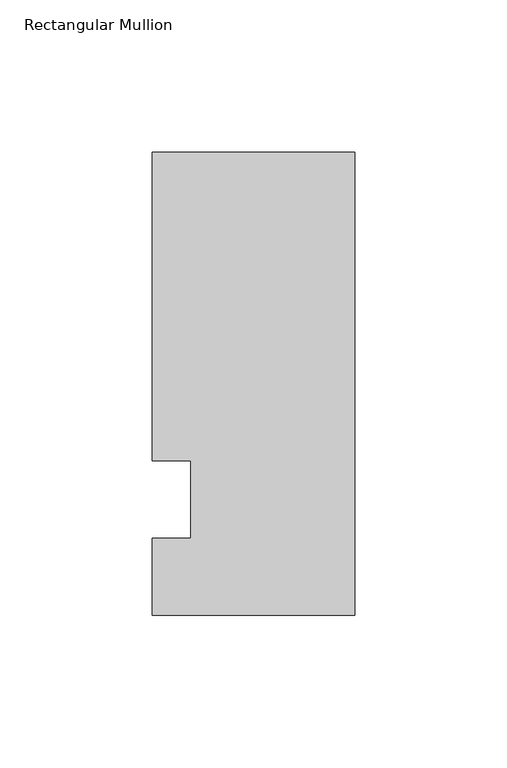
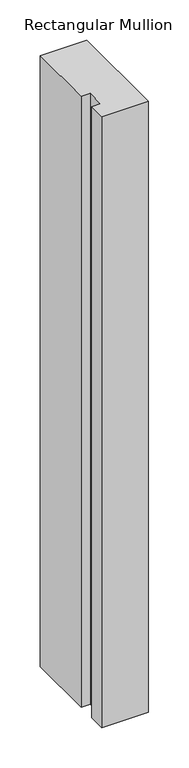
"""IFC4 building model written with IfcOpenShell, lengths in millimetres: member geometry, Rectangular Mullion."""

from ifc_helpers import new_model, si_unit, frame, origin, place, context, project, spatial, polyline, outline, extrude, source, transform, mapped, element, save


def rectangular_mullion_8f0426db(model_context):
    return source(origin(), model_context, "Body", "SweptSolid", [
        extrude(outline(polyline([(-66.675, 114.3), (0.0, 114.3), (0.0, -38.1), (-66.675, -38.1), (-66.675, -12.7), (-53.9732296, -12.7), (-53.9732296, 12.7), (-66.675, 12.7), (-66.675, 114.3)])), frame((0.0, 0.0, -925.0844027), z_axis=(0.0, 0.0, 1.0), x_axis=(1.0, 0.0, 0.0)), (0.0, 0.0, 1.0), 925.0844027),
    ])


if __name__ == "__main__":
    model = new_model("IFC4")
    model_context = context("Model", 3, world=origin())
    ifc_project = project(units=[si_unit("LENGTHUNIT", "METRE", prefix="MILLI")], contexts=[model_context])
    site = spatial("IfcSite", under=ifc_project)
    building = spatial("IfcBuilding", under=site)
    placement = place(None, origin())
    rectangular_mullion_shape = rectangular_mullion_8f0426db(model_context)
    element("IfcMember", 1, ObjectType="Rectangular Mullion", at=placement, inside=building, context=model_context, shape_type="MappedRepresentation", body=[
        mapped(rectangular_mullion_shape, transform((0.0, 0.0, 0.0), x_axis=(1.0, 0.0, 0.0), y_axis=(0.0, 1.0, 0.0), z_axis=(0.0, 0.0, 1.0))),
    ])
    save(model, "model.ifc")
